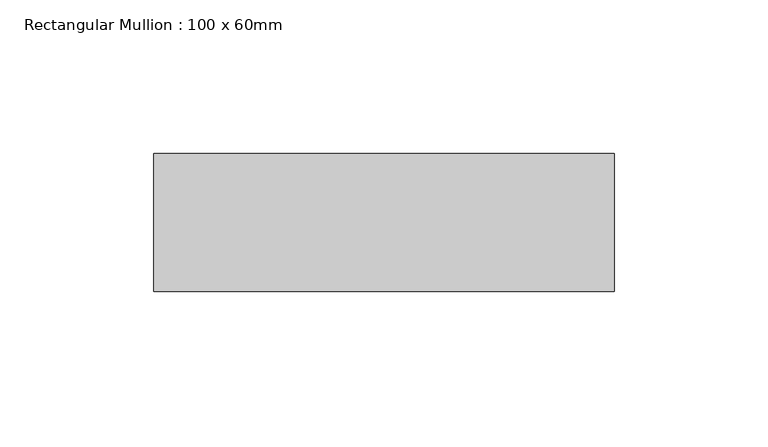
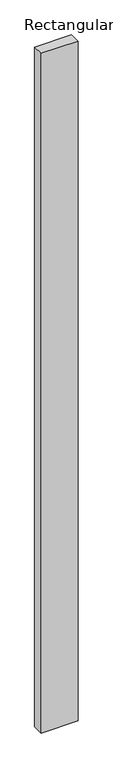
"""IFC4 building model written with IfcOpenShell, lengths in millimetres: member geometry, Rectangular Mullion : 100 x 60mm."""

from ifc_helpers import new_model, si_unit, frame, origin, place, context, project, spatial, polyline, outline, extrude, source, transform, mapped, element, save


def rectangular_mullion_100_x_60mm_1e0e9ef9(model_context):
    return source(origin(), model_context, "Body", "SweptSolid", [
        extrude(outline(polyline([(-75.0, -30.0), (-75.0, 15.0), (75.0, 15.0), (75.0, -30.0), (-75.0, -30.0)])), frame((0.0, 0.0, -2925.0), z_axis=(0.0, 0.0, 1.0), x_axis=(1.0, 0.0, 0.0)), (0.0, 0.0, 1.0), 2925.0),
    ])


if __name__ == "__main__":
    model = new_model("IFC4")
    model_context = context("Model", 3, world=origin())
    ifc_project = project(units=[si_unit("LENGTHUNIT", "METRE", prefix="MILLI")], contexts=[model_context])
    site = spatial("IfcSite", under=ifc_project)
    building = spatial("IfcBuilding", under=site)
    placement = place(None, origin())
    rectangular_mullion_100_x_60mm_shape = rectangular_mullion_100_x_60mm_1e0e9ef9(model_context)
    element("IfcMember", 1, ObjectType="Rectangular Mullion : 100 x 60mm", at=placement, inside=building, context=model_context, shape_type="MappedRepresentation", body=[
        mapped(rectangular_mullion_100_x_60mm_shape, transform((0.0, 0.0, 0.0), x_axis=(1.0, 0.0, 0.0), y_axis=(0.0, 1.0, 0.0), z_axis=(0.0, 0.0, 1.0))),
    ])
    save(model, "model.ifc")
